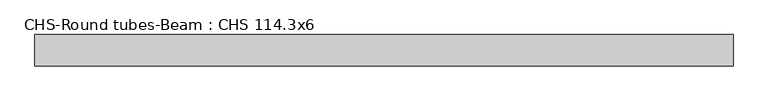
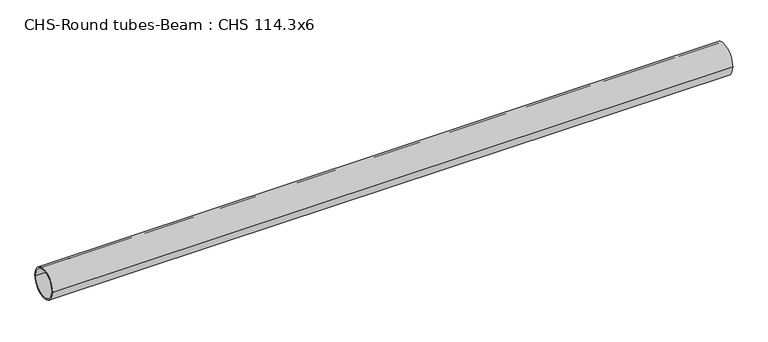
"""IFC4 building model written with IfcOpenShell, lengths in millimetres: beam geometry, CHS-Round tubes-Beam : CHS 114.3x6."""

from ifc_helpers import new_model, si_unit, point, frame, origin, origin_2d, place, context, project, spatial, circle_curve, trimmed, segment, composite_curve, outline, extrude, source, transform, mapped, element, save


def chs_round_tubes_beam_chs_114_3x6_cb51e276(model_context):
    return source(origin(), model_context, "Body", "SweptSolid", [
        extrude(outline(composite_curve([segment(trimmed(circle_curve(origin_2d(), 57.15), [point((57.15, 0.0))], [point((-57.15, 0.0))], False, "CARTESIAN"), True, "CONTINUOUS"), segment(trimmed(circle_curve(origin_2d(), 57.15), [point((-57.15, 0.0))], [point((57.15, 0.0))], False, "CARTESIAN"), True, "CONTINUOUS")], self_intersect=False), holes=[composite_curve([segment(trimmed(circle_curve(origin_2d(), 51.15), [point((51.15, 0.0))], [point((-51.15, 0.0))], True, "CARTESIAN"), True, "CONTINUOUS"), segment(trimmed(circle_curve(origin_2d(), 51.15), [point((-51.15, 0.0))], [point((51.15, 0.0))], True, "CARTESIAN"), True, "CONTINUOUS")], self_intersect=False)]), frame((-1262.4346673, 0.0, 0.0), z_axis=(1.0, 0.0, 0.0), x_axis=(0.0, 1.0, 0.0)), (0.0, 0.0, 1.0), 2546.6633359),
    ])


if __name__ == "__main__":
    model = new_model("IFC4")
    model_context = context("Model", 3, world=origin())
    ifc_project = project(units=[si_unit("LENGTHUNIT", "METRE", prefix="MILLI")], contexts=[model_context])
    site = spatial("IfcSite", under=ifc_project)
    building = spatial("IfcBuilding", under=site)
    placement = place(None, origin())
    chs_round_tubes_beam_chs_114_3x6_shape = chs_round_tubes_beam_chs_114_3x6_cb51e276(model_context)
    element("IfcBeam", 1, ObjectType="CHS-Round tubes-Beam : CHS 114.3x6", at=placement, inside=building, context=model_context, shape_type="MappedRepresentation", body=[
        mapped(chs_round_tubes_beam_chs_114_3x6_shape, transform((0.0, 0.0, 0.0), x_axis=(1.0, 0.0, 0.0), y_axis=(0.0, 1.0, 0.0), z_axis=(0.0, 0.0, 1.0))),
    ])
    save(model, "model.ifc")
